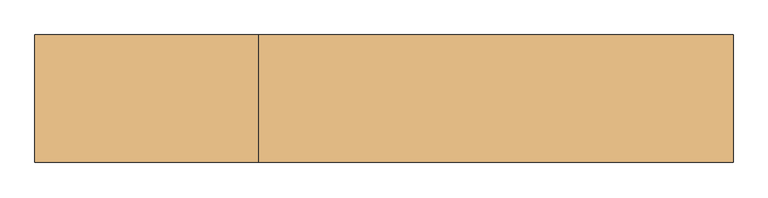
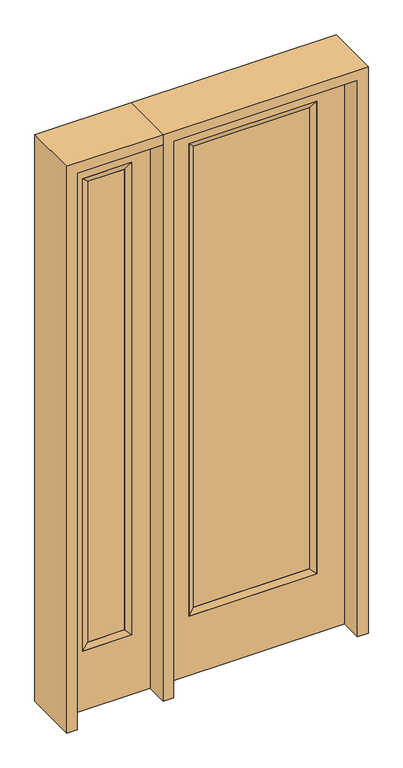
"""IFC4 building model written with IfcOpenShell, lengths in millimetres: door geometry."""

from ifc_helpers import new_model, si_unit, frame, origin, place, context, project, spatial, polyline, outline, extrude, faceted_brep, source, transform, mapped, element, save


def door_892c5683(model_context):
    return source(origin(), model_context, "Body", "SolidModel", [
        extrude(outline(polyline([(240.1824, -12.7039749), (-240.1824, -12.7039749), (-240.1824, 14.2875), (240.1824, 14.2875), (240.1824, -12.7039749)])), frame((0.0, 0.0, 285.75), z_axis=(0.0, 0.0, 1.0), x_axis=(1.0, 0.0, 0.0)), (0.0, 0.0, 1.0), 2019.3),
        faceted_brep([(240.1824, 14.2875, 2305.05), (265.5824, 22.225, 2330.45), (265.5824, 22.225, 260.35), (240.1824, 14.2875, 285.75), (265.5824, -22.225, 2330.45), (265.5824, -22.225, 260.35), (-265.5824, 22.225, 260.35), (-240.1824, 14.2875, 285.75), (240.1824, -12.7039749, 2305.05), (240.1824, -12.7039749, 285.75), (-240.1824, -12.7039749, 285.75), (-265.5824, -22.225, 260.35), (-265.5824, 22.225, 2330.45), (-240.1824, 14.2875, 2305.05), (-240.1824, -12.7039749, 2305.05), (-265.5824, -22.225, 2330.45)], [[[0, 1, 2, 3]], [[1, 4, 5, 2]], [[3, 2, 6, 7]], [[8, 0, 3, 9]], [[9, 3, 7, 10]], [[4, 8, 9, 5]], [[5, 9, 10, 11]], [[2, 5, 11, 6]], [[7, 6, 12, 13]], [[10, 7, 13, 14]], [[11, 10, 14, 15]], [[6, 11, 15, 12]], [[13, 12, 1, 0]], [[14, 13, 0, 8]], [[15, 14, 8, 4]], [[12, 15, 4, 1]]]),
        extrude(outline(polyline([(0.0, -381.0), (0.0, 381.0), (2438.4, 381.0), (2438.4, -381.0), (0.0, -381.0)]), holes=[polyline([(260.35, -265.5824), (2330.45, -265.5824), (2330.45, 265.5824), (260.35, 265.5824), (260.35, -265.5824)])]), frame((0.0, -22.225, 0.0), z_axis=(0.0, 1.0, 0.0), x_axis=(0.0, 0.0, 1.0)), (0.0, 0.0, 1.0), 44.45),
        faceted_brep([(-501.65, 20.6375, 2330.45), (-501.65, -20.6375, 2330.45), (-501.65, -20.6375, 260.35), (-501.65, 20.6375, 260.35), (-527.05, -12.7, 2305.05), (-527.05, -12.7, 285.75), (-704.85, -20.6375, 260.35), (-704.85, 20.6375, 260.35), (-527.05, 12.7, 2305.05), (-527.05, 12.7, 285.75), (-679.45, 12.7, 285.75), (-679.45, -12.7, 285.75), (-704.85, -20.6375, 2330.45), (-704.85, 20.6375, 2330.45), (-679.45, 12.7, 2305.05), (-679.45, -12.7, 2305.05)], [[[0, 1, 2, 3]], [[1, 4, 5, 2]], [[3, 2, 6, 7]], [[8, 0, 3, 9]], [[9, 3, 7, 10]], [[4, 8, 9, 5]], [[5, 9, 10, 11]], [[2, 5, 11, 6]], [[7, 6, 12, 13]], [[10, 7, 13, 14]], [[11, 10, 14, 15]], [[6, 11, 15, 12]], [[13, 12, 1, 0]], [[14, 13, 0, 8]], [[15, 14, 8, 4]], [[12, 15, 4, 1]]]),
        extrude(outline(polyline([(0.0, -781.05), (0.0, -425.45), (2438.4, -425.45), (2438.4, -781.05), (0.0, -781.05)]), holes=[polyline([(2330.45, -501.65), (260.35, -501.65), (260.35, -704.85), (2330.45, -704.85), (2330.45, -501.65)])]), frame((0.0, -20.6375, 0.0), z_axis=(0.0, 1.0, 0.0), x_axis=(0.0, 0.0, 1.0)), (0.0, 0.0, 1.0), 41.275),
        extrude(outline(polyline([(-527.05, -12.7), (-679.45, -12.7), (-679.45, 12.7), (-527.05, 12.7), (-527.05, -12.7)])), frame((0.0, 0.0, 284.95625), z_axis=(0.0, 0.0, 1.0), x_axis=(1.0, 0.0, 0.0)), (0.0, 0.0, 1.0), 2020.09375),
        extrude(outline(polyline([(2438.4, -425.45), (2482.85, -425.45), (2482.85, -825.5), (0.0, -825.5), (0.0, -781.05), (2438.4, -781.05), (2438.4, -425.45)])), frame((0.0, -114.3, 0.0), z_axis=(0.0, 1.0, 0.0), x_axis=(0.0, 0.0, 1.0)), (0.0, 0.0, 1.0), 228.6),
        extrude(outline(polyline([(2482.85, -425.45), (0.0, -425.45), (0.0, -381.0), (2438.4, -381.0), (2438.4, 381.0), (0.0, 381.0), (0.0, 425.45), (2482.85, 425.45), (2482.85, -425.45)])), frame((0.0, -114.3, 0.0), z_axis=(0.0, 1.0, 0.0), x_axis=(0.0, 0.0, 1.0)), (0.0, 0.0, 1.0), 228.6),
    ])


if __name__ == "__main__":
    model = new_model("IFC4")
    model_context = context("Model", 3, world=origin())
    ifc_project = project(units=[si_unit("LENGTHUNIT", "METRE", prefix="MILLI")], contexts=[model_context])
    site = spatial("IfcSite", under=ifc_project)
    building = spatial("IfcBuilding", under=site)
    placement = place(None, origin())
    door_shape = door_892c5683(model_context)
    element("IfcDoor", 1, at=placement, inside=building, context=model_context, shape_type="MappedRepresentation", body=[
        mapped(door_shape, transform((0.0, 0.0, 0.0), x_axis=(1.0, 0.0, 0.0), y_axis=(0.0, 1.0, 0.0), z_axis=(0.0, 0.0, 1.0))),
    ])
    save(model, "model.ifc")
